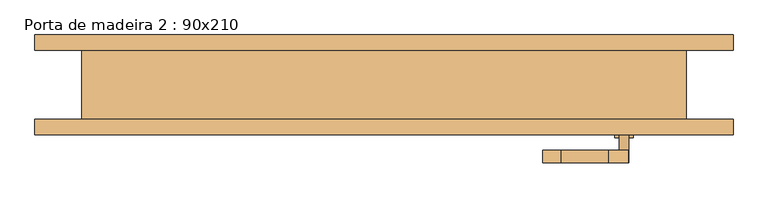
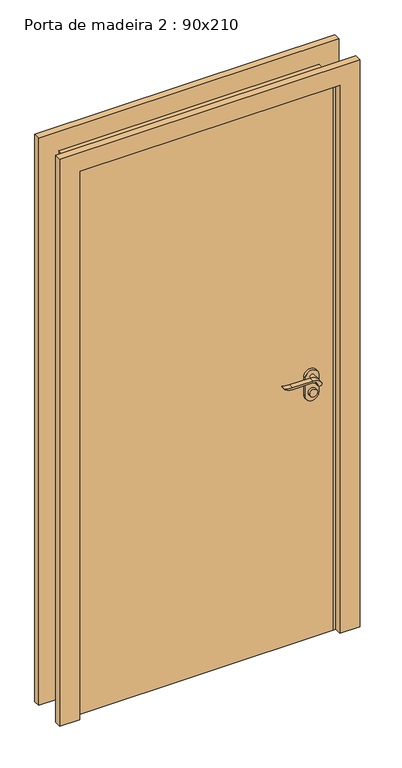
"""IFC4 building model written with IfcOpenShell, lengths in millimetres: door geometry, Porta de madeira 2 : 90x210."""

import ifcopenshell
import ifcopenshell.guid

model = None  # the IFC model being written
_history = None  # IfcOwnerHistory: only IFC2X3 demands one
_inside = {}  # id of a spatial element -> (the spatial element, [elements in it])
_under = {}  # id of a project, library or spatial element -> (it, [spatial elements below it])
_declared = {}  # id of a project -> (the project, [libraries it declares])
_typed = {}  # id of a type object -> (the type object, [elements of that type])
_made_of = {}  # id of a material, layer set ... -> (it, [elements and type objects made of it])


def new_model(schema):
    """Start an empty IFC model of exactly this schema.

    Asked for "IFC4X3", IfcOpenShell would pick the latest addendum, in which some entities
    have other attributes; the version numbers below select the first issue.
    IFC2X3 requires an IfcOwnerHistory on every rooted entity: one is made here for all.
    """
    global model, _history
    if schema == "IFC4X3":
        model = ifcopenshell.file(schema_version=(4, 3, 0, 0))
    else:
        model = ifcopenshell.file(schema=schema)
    _inside.clear()
    _under.clear()
    _declared.clear()
    _typed.clear()
    _made_of.clear()
    _history = None
    if model.schema == "IFC2X3":
        org = make("IfcOrganization", Name="unknown")
        user = make(
            "IfcPersonAndOrganization",
            ThePerson=make("IfcPerson", FamilyName="unknown"),
            TheOrganization=org,
        )
        app = make(
            "IfcApplication",
            ApplicationDeveloper=org,
            Version="unknown",
            ApplicationFullName="unknown",
            ApplicationIdentifier="unknown",
        )
        _history = make(
            "IfcOwnerHistory",
            OwningUser=user,
            OwningApplication=app,
            ChangeAction="ADDED",
            CreationDate=0,
        )
    return model


def make(cls, **values):
    """One entity of the class cls with the attributes given. An attribute that is None is left unset."""
    return model.create_entity(
        cls, **{name: value for name, value in values.items() if value is not None}
    )


def rooted(cls, **values):
    """An entity with a GlobalId (a new one), such as an element, a storey or a relation."""
    return make(cls, GlobalId=ifcopenshell.guid.new(), OwnerHistory=_history, **values)


def si_unit(unit_type, name, prefix=None):
    """IfcSIUnit, for example si_unit("LENGTHUNIT", "METRE", prefix="MILLI")."""
    return make("IfcSIUnit", UnitType=unit_type, Prefix=prefix, Name=name)


def assignment(units):
    """IfcUnitAssignment: the units of a project."""
    return None if units is None else make("IfcUnitAssignment", Units=units)


def point(xyz):
    """IfcCartesianPoint."""
    return None if xyz is None else make("IfcCartesianPoint", Coordinates=xyz)


def direction(xyz):
    """IfcDirection."""
    return None if xyz is None else make("IfcDirection", DirectionRatios=xyz)


def frame(location, z_axis=None, x_axis=None):
    """IfcAxis2Placement3D, a coordinate frame: its origin and axes. An axis left out is left unset."""
    return make(
        "IfcAxis2Placement3D",
        Location=point(location),
        Axis=direction(z_axis),
        RefDirection=direction(x_axis),
    )


def frame_2d(location, x_axis=None):
    """IfcAxis2Placement2D, a coordinate frame in the plane: its origin and x axis."""
    return make(
        "IfcAxis2Placement2D", Location=point(location), RefDirection=direction(x_axis)
    )


def origin():
    """The frame at (0, 0, 0) with its axes left unset."""
    return frame((0.0, 0.0, 0.0))


def origin_with_axes():
    """The frame at (0, 0, 0) with the z axis (0, 0, 1) and the x axis (1, 0, 0) written out."""
    return frame((0.0, 0.0, 0.0), z_axis=(0.0, 0.0, 1.0), x_axis=(1.0, 0.0, 0.0))


def place(relative_to, where):
    """IfcLocalPlacement: puts the frame where relative to a parent placement (None: the world)."""
    return make(
        "IfcLocalPlacement", PlacementRelTo=relative_to, RelativePlacement=where
    )


def context(
    kind, dimensions, precision=None, world=None, true_north=None, identifier=None
):
    """IfcGeometricRepresentationContext, for example the 3D "Model" context."""
    return make(
        "IfcGeometricRepresentationContext",
        ContextIdentifier=identifier,
        ContextType=kind,
        CoordinateSpaceDimension=dimensions,
        Precision=precision,
        WorldCoordinateSystem=world,
        TrueNorth=true_north,
    )


def project(units=None, contexts=None):
    """IfcProject with its units and contexts."""
    return rooted(
        "IfcProject",
        Name="project",
        RepresentationContexts=contexts,
        UnitsInContext=assignment(units),
    )


def spatial(cls, under=None, at=None, **own):
    """A site, building, storey or space (cls), placed at a placement, below another one or the project."""
    s = rooted(cls, ObjectPlacement=at, **own)
    if under is not None:
        _under.setdefault(under.id(), (under, []))[1].append(s)
    return s


def polyline(points):
    """IfcPolyline through the points."""
    return make("IfcPolyline", Points=[point(p) for p in points])


def circle_curve(where, radius):
    """IfcCircle in the frame where."""
    return make("IfcCircle", Position=where, Radius=radius)


def trimmed(basis, trim1, trim2, sense, master):
    """IfcTrimmedCurve: the piece of a basis curve between two trims."""
    return make(
        "IfcTrimmedCurve",
        BasisCurve=basis,
        Trim1=trim1,
        Trim2=trim2,
        SenseAgreement=sense,
        MasterRepresentation=master,
    )


def segment(curve, same_sense, transition):
    """IfcCompositeCurveSegment."""
    return make(
        "IfcCompositeCurveSegment",
        Transition=transition,
        SameSense=same_sense,
        ParentCurve=curve,
    )


def composite_curve(segments, self_intersect=None):
    """IfcCompositeCurve: segments joined end to end."""
    return make("IfcCompositeCurve", Segments=segments, SelfIntersect=self_intersect)


def outline(outer, holes=None, kind="AREA"):
    """IfcArbitraryClosedProfileDef: a profile drawn as a closed curve; with holes, ...WithVoids."""
    if holes is None:
        return make("IfcArbitraryClosedProfileDef", ProfileType=kind, OuterCurve=outer)
    return make(
        "IfcArbitraryProfileDefWithVoids",
        ProfileType=kind,
        OuterCurve=outer,
        InnerCurves=holes,
    )


def extrude(swept, where, along, depth):
    """IfcExtrudedAreaSolid: the profile swept, set in the frame where, extruded along a direction by depth."""
    return make(
        "IfcExtrudedAreaSolid",
        SweptArea=swept,
        Position=where,
        ExtrudedDirection=direction(along),
        Depth=depth,
    )


def faces_of(points, faces, orient=None, outer=None):
    """IfcFace entities. A face is a list of loops; a loop is a list of indices into points, from 0.

    orient and outer hold one flag for each loop. By default every Orientation is true, the
    first loop of a face is its IfcFaceOuterBound and the others are IfcFaceBound.
    """
    made = []
    for i, loops in enumerate(faces):
        bounds = []
        for j, loop in enumerate(loops):
            is_outer = j == 0 if outer is None else outer[i][j]
            bounds.append(
                make(
                    "IfcFaceOuterBound" if is_outer else "IfcFaceBound",
                    Bound=make("IfcPolyLoop", Polygon=[points[k] for k in loop]),
                    Orientation=True if orient is None else orient[i][j],
                )
            )
        made.append(make("IfcFace", Bounds=bounds))
    return made


def faceted_brep(points, faces, orient=None, outer=None, voids=None):
    """IfcFacetedBrep: a solid bounded by flat faces; with voids (closed shells), ...WithVoids."""
    shared = [point(p) for p in points]
    hull = make("IfcClosedShell", CfsFaces=faces_of(shared, faces, orient, outer))
    if voids is None:
        return make("IfcFacetedBrep", Outer=hull)
    return make(
        "IfcFacetedBrepWithVoids",
        Outer=hull,
        Voids=[
            make(cls, CfsFaces=faces_of(shared, fs, o, b)) for cls, fs, o, b in voids
        ],
    )


def shape(context_of_items, identifier, shape_type, items):
    """IfcShapeRepresentation: the items that make up one representation, for example the "Body"."""
    return make(
        "IfcShapeRepresentation",
        ContextOfItems=context_of_items,
        RepresentationIdentifier=identifier,
        RepresentationType=shape_type,
        Items=items,
    )


def source(mapping_origin, context_of_items, identifier, shape_type, items):
    """IfcRepresentationMap: a shape defined once, which mapped items show again and again."""
    return make(
        "IfcRepresentationMap",
        MappingOrigin=mapping_origin,
        MappedRepresentation=shape(context_of_items, identifier, shape_type, items),
    )


def transform(
    local_origin,
    x_axis=None,
    y_axis=None,
    z_axis=None,
    scale=None,
    scale2=None,
    scale3=None,
    uniform=True,
):
    """IfcCartesianTransformationOperator3D, or its non-uniform kind. x_axis, y_axis, z_axis: its Axis1, 2, 3."""
    if uniform:
        return make(
            "IfcCartesianTransformationOperator3D",
            Axis1=direction(x_axis),
            Axis2=direction(y_axis),
            LocalOrigin=point(local_origin),
            Scale=scale,
            Axis3=direction(z_axis),
        )
    return make(
        "IfcCartesianTransformationOperator3DnonUniform",
        Axis1=direction(x_axis),
        Axis2=direction(y_axis),
        LocalOrigin=point(local_origin),
        Scale=scale,
        Axis3=direction(z_axis),
        Scale2=scale2,
        Scale3=scale3,
    )


def mapped(mapping_source, mapping_target):
    """IfcMappedItem: shows the shape of a source again, moved by a transform."""
    return make(
        "IfcMappedItem", MappingSource=mapping_source, MappingTarget=mapping_target
    )


def made_of(thing, what):
    """Note that an element or type object is made of a material, layer set ...; save() writes the relation."""
    if what is not None:
        _made_of.setdefault(what.id(), (what, []))[1].append(thing)
    return thing


def element(
    cls,
    number,
    at=None,
    inside=None,
    cuts=None,
    type_object=None,
    material=None,
    context=None,
    identifier="Body",
    shape_type=None,
    held_by="IfcProductDefinitionShape",
    body=None,
    shapes=None,
    **own,
):
    """One element of the class cls, such as IfcWall. Its Tag is "e" and its number.

    at: its placement. inside: the storey or other place that contains it. cuts: it is an
    opening in that element (IfcRelVoidsElement). A single representation is given by context,
    identifier, shape_type and body (its items); several are given by shapes. held_by: the class
    of the entity that holds the representations. save() writes the other relations.
    """
    e = rooted(cls, Tag="e%d" % number, ObjectPlacement=at, **own)
    if body is not None:
        shapes = [shape(context, identifier, shape_type, body)]
    if shapes is not None:
        e.Representation = make(held_by, Representations=shapes)
    if inside is not None:
        _inside.setdefault(inside.id(), (inside, []))[1].append(e)
    if cuts is not None:
        rooted(
            "IfcRelVoidsElement", RelatingBuildingElement=cuts, RelatedOpeningElement=e
        )
    if type_object is not None:
        _typed.setdefault(type_object.id(), (type_object, []))[1].append(e)
    return made_of(e, material)


def aggregate(whole, parts):
    """IfcRelAggregates: a whole, such as a stair, and the parts it consists of."""
    return rooted("IfcRelAggregates", RelatingObject=whole, RelatedObjects=parts)


def save(model, path):
    """Write the relations noted so far, then the file.

    IfcRelAggregates (storeys below a building ...), IfcRelContainedInSpatialStructure (elements
    in a storey), IfcRelDefinesByType, IfcRelAssociatesMaterial and IfcRelDeclares: one each for
    every whole, place, type object, material and project.
    """
    for whole, parts in _under.values():
        aggregate(whole, parts)
    for where, things in _inside.values():
        rooted(
            "IfcRelContainedInSpatialStructure",
            RelatedElements=things,
            RelatingStructure=where,
        )
    for kind, things in _typed.values():
        rooted("IfcRelDefinesByType", RelatedObjects=things, RelatingType=kind)
    for what, things in _made_of.values():
        rooted("IfcRelAssociatesMaterial", RelatedObjects=things, RelatingMaterial=what)
    for by, libraries in _declared.values():
        rooted("IfcRelDeclares", RelatingContext=by, RelatedDefinitions=libraries)
    model.write(path)


def porta_de_madeira_2_90x210_0973f970(model_context):
    return source(origin(), model_context, "Body", "SolidModel", [
        extrude(outline(composite_curve([segment(trimmed(circle_curve(frame_2d((985.0, 385.0)), 15.0), [point((985.0, 370.0))], [point((985.0, 400.0))], False, "CARTESIAN"), True, "CONTINUOUS"), segment(trimmed(circle_curve(frame_2d((985.0, 385.0)), 15.0), [point((985.0, 400.0))], [point((985.0, 370.0))], False, "CARTESIAN"), True, "CONTINUOUS")], self_intersect=False)), frame((0.0, -25.0, 0.0), z_axis=(0.0, 1.0, 0.0), x_axis=(0.0, 0.0, 1.0)), (0.0, 0.0, 1.0), 10.0),
        extrude(outline(composite_curve([segment(trimmed(circle_curve(frame_2d((985.0, 385.0)), 15.0), [point((985.0, 370.0))], [point((985.0, 400.0))], False, "CARTESIAN"), True, "CONTINUOUS"), segment(trimmed(circle_curve(frame_2d((985.0, 385.0)), 15.0), [point((985.0, 400.0))], [point((985.0, 370.0))], False, "CARTESIAN"), True, "CONTINUOUS")], self_intersect=False)), frame((0.0, -85.0, 0.0), z_axis=(0.0, 1.0, 0.0), x_axis=(0.0, 0.0, 1.0)), (0.0, 0.0, 1.0), 10.0),
        extrude(outline(composite_curve([segment(trimmed(circle_curve(frame_2d((1027.7555521, 361.3324871)), 37.2832219), [point((1049.6523287, 391.5081363))], [point((1065.0, 359.6325667))], False, "CARTESIAN"), True, "CONTINUOUS"), segment(polyline([(1065.0, 359.6325667), (1065.0, 283.3564091)]), True, "CONTINUOUS"), segment(trimmed(circle_curve(frame_2d((1148.2850638, 283.4227909)), 83.2850902), [point((1065.0, 283.3564091))], [point((1070.0, 255.0))], True, "CARTESIAN"), True, "CONTINUOUS"), segment(polyline([(1070.0, 255.0), (1067.2135558, 255.0)]), True, "CONTINUOUS"), segment(trimmed(circle_curve(frame_2d((1117.2709207, 286.9396612)), 59.3791355), [point((1067.2135558, 255.0))], [point((1058.0, 283.3564091))], False, "CARTESIAN"), True, "CONTINUOUS"), segment(polyline([(1058.0, 283.3564091), (1058.0, 359.6138099)]), True, "CONTINUOUS"), segment(trimmed(circle_curve(frame_2d((1039.8738613, 359.6138099)), 18.1261387), [point((1058.0, 359.6138099))], [point((1045.0, 377.0))], True, "CARTESIAN"), True, "CONTINUOUS"), segment(trimmed(circle_curve(frame_2d((1045.0, 385.0)), 8.0), [point((1045.0, 377.0))], [point((1049.6523287, 391.5081363))], False, "CARTESIAN"), True, "CONTINUOUS")], self_intersect=False)), frame((0.0, 5.0, 0.0), z_axis=(0.0, 1.0, 0.0), x_axis=(0.0, 0.0, 1.0)), (0.0, 0.0, 1.0), 20.0),
        extrude(outline(composite_curve([segment(trimmed(circle_curve(frame_2d((1045.0, 385.0)), 8.0), [point((1044.9999903, 377.0))], [point((1049.6523287, 391.5081363))], False, "CARTESIAN"), True, "CONTINUOUS"), segment(trimmed(circle_curve(frame_2d((1027.7555521, 361.3324871)), 37.2832219), [point((1049.6523287, 391.5081363))], [point((1065.0, 359.6325667))], False, "CARTESIAN"), True, "CONTINUOUS"), segment(polyline([(1065.0, 359.6325667), (1065.0, 283.3564091)]), True, "CONTINUOUS"), segment(trimmed(circle_curve(frame_2d((1148.2850638, 283.4227909)), 83.2850902), [point((1065.0, 283.3564091))], [point((1070.0, 255.0))], True, "CARTESIAN"), True, "CONTINUOUS"), segment(polyline([(1070.0, 255.0), (1067.2135558, 255.0)]), True, "CONTINUOUS"), segment(trimmed(circle_curve(frame_2d((1117.2709207, 286.9396612)), 59.3791355), [point((1067.2135558, 255.0))], [point((1058.0, 283.3564091))], False, "CARTESIAN"), True, "CONTINUOUS"), segment(polyline([(1058.0, 283.3564091), (1058.0, 359.6138122)]), True, "CONTINUOUS"), segment(trimmed(circle_curve(frame_2d((1039.8738682, 359.6138122)), 18.1261318), [point((1058.0, 359.6138122))], [point((1044.9999903, 377.0))], True, "CARTESIAN"), True, "CONTINUOUS")], self_intersect=False)), frame((0.0, -125.0, 0.0), z_axis=(0.0, 1.0, 0.0), x_axis=(0.0, 0.0, 1.0)), (0.0, 0.0, 1.0), 20.0),
        extrude(outline(composite_curve([segment(trimmed(circle_curve(frame_2d((1045.0, 385.0)), 8.0), [point((1045.0, 377.0))], [point((1045.0, 393.0))], False, "CARTESIAN"), True, "CONTINUOUS"), segment(trimmed(circle_curve(frame_2d((1045.0, 385.0)), 8.0), [point((1045.0, 393.0))], [point((1045.0, 377.0))], False, "CARTESIAN"), True, "CONTINUOUS")], self_intersect=False)), frame((0.0, -25.0, 0.0), z_axis=(0.0, 1.0, 0.0), x_axis=(0.0, 0.0, 1.0)), (0.0, 0.0, 1.0), 30.0),
        extrude(outline(composite_curve([segment(trimmed(circle_curve(frame_2d((1045.0, 385.0)), 8.0), [point((1045.0, 377.0))], [point((1045.0, 393.0))], False, "CARTESIAN"), True, "CONTINUOUS"), segment(trimmed(circle_curve(frame_2d((1045.0, 385.0)), 8.0), [point((1045.0, 393.0))], [point((1045.0, 377.0))], False, "CARTESIAN"), True, "CONTINUOUS")], self_intersect=False)), frame((0.0, -105.0, 0.0), z_axis=(0.0, 1.0, 0.0), x_axis=(0.0, 0.0, 1.0)), (0.0, 0.0, 1.0), 30.0),
        extrude(outline(composite_curve([segment(polyline([(975.0, 410.0), (1045.0, 410.0)]), True, "CONTINUOUS"), segment(trimmed(circle_curve(frame_2d((1045.0, 385.0)), 25.0), [point((1045.0, 410.0))], [point((1045.0, 360.0))], False, "CARTESIAN"), True, "CONTINUOUS"), segment(polyline([(1045.0, 360.0), (975.0, 360.0)]), True, "CONTINUOUS"), segment(trimmed(circle_curve(frame_2d((975.0, 385.0)), 25.0), [point((975.0, 360.0))], [point((975.0, 410.0))], False, "CARTESIAN"), True, "CONTINUOUS")], self_intersect=False)), frame((0.0, -35.0, 0.0), z_axis=(0.0, 1.0, 0.0), x_axis=(0.0, 0.0, 1.0)), (0.0, 0.0, 1.0), 10.0),
        extrude(outline(composite_curve([segment(polyline([(975.0, 410.0), (1045.0, 410.0)]), True, "CONTINUOUS"), segment(trimmed(circle_curve(frame_2d((1045.0, 385.0)), 25.0), [point((1045.0, 410.0))], [point((1045.0, 360.0))], False, "CARTESIAN"), True, "CONTINUOUS"), segment(polyline([(1045.0, 360.0), (975.0, 360.0)]), True, "CONTINUOUS"), segment(trimmed(circle_curve(frame_2d((975.0, 385.0)), 25.0), [point((975.0, 360.0))], [point((975.0, 410.0))], False, "CARTESIAN"), True, "CONTINUOUS")], self_intersect=False)), frame((0.0, -75.0, 0.0), z_axis=(0.0, 1.0, 0.0), x_axis=(0.0, 0.0, 1.0)), (0.0, 0.0, 1.0), 10.0),
        extrude(outline(polyline([(2160.0, -485.0), (2160.0, 485.0), (0.0, 485.0), (0.0, 560.0), (2235.0, 560.0), (2235.0, -560.0), (0.0, -560.0), (0.0, -485.0), (2160.0, -485.0)])), frame((0.0, 55.0, 0.0), z_axis=(0.0, 1.0, 0.0), x_axis=(0.0, 0.0, 1.0)), (0.0, 0.0, 1.0), 25.0),
        extrude(outline(polyline([(2235.0, -560.0), (0.0, -560.0), (0.0, -485.0), (2160.0, -485.0), (2160.0, 485.0), (0.0, 485.0), (0.0, 560.0), (2235.0, 560.0), (2235.0, -560.0)])), frame((0.0, -80.0, 0.0), z_axis=(0.0, 1.0, 0.0), x_axis=(0.0, 0.0, 1.0)), (0.0, 0.0, 1.0), 25.0),
        extrude(outline(polyline([(475.0, -55.0), (-475.0, -55.0), (-475.0, -25.0), (475.0, -25.0), (475.0, -55.0)])), origin_with_axes(), (0.0, 0.0, 1.0), 2150.0),
        faceted_brep([(-465.0, -25.0, 0.0), (-475.0, -25.0, 0.0), (-475.0, -55.0, 0.0), (-485.0, -55.0, 0.0), (-485.0, 55.0, 0.0), (-465.0, 55.0, 0.0), (-465.0, -25.0, 2140.0), (465.0, -25.0, 2140.0), (465.0, -25.0, 0.0), (475.0, -25.0, 0.0), (475.0, -25.0, 2150.0), (-475.0, -25.0, 2150.0), (-485.0, 55.0, 2160.0), (485.0, 55.0, 2160.0), (485.0, 55.0, 0.0), (465.0, 55.0, 0.0), (465.0, 55.0, 2140.0), (-465.0, 55.0, 2140.0), (485.0, -55.0, 0.0), (475.0, -55.0, 0.0), (-475.0, -55.0, 2150.0), (475.0, -55.0, 2150.0), (485.0, -55.0, 2160.0), (-485.0, -55.0, 2160.0)], [[[0, 1, 2, 3, 4, 5]], [[1, 0, 6, 7, 8, 9, 10, 11]], [[5, 4, 12, 13, 14, 15, 16, 17]], [[0, 5, 17, 6]], [[7, 6, 17, 16]], [[9, 8, 15, 14, 18, 19]], [[8, 7, 16, 15]], [[20, 2, 1, 11]], [[3, 2, 20, 21, 19, 18, 22, 23]], [[4, 3, 23, 12]], [[21, 20, 11, 10]], [[23, 22, 13, 12]], [[19, 21, 10, 9]], [[22, 18, 14, 13]]]),
    ])


if __name__ == "__main__":
    model = new_model("IFC4")
    model_context = context("Model", 3, world=origin())
    ifc_project = project(units=[si_unit("LENGTHUNIT", "METRE", prefix="MILLI")], contexts=[model_context])
    site = spatial("IfcSite", under=ifc_project)
    building = spatial("IfcBuilding", under=site)
    placement = place(None, origin())
    porta_de_madeira_2_90x210_shape = porta_de_madeira_2_90x210_0973f970(model_context)
    element("IfcDoor", 1, ObjectType="Porta de madeira 2 : 90x210", at=placement, inside=building, context=model_context, shape_type="MappedRepresentation", body=[
        mapped(porta_de_madeira_2_90x210_shape, transform((0.0, 0.0, 0.0), x_axis=(1.0, 0.0, 0.0), y_axis=(0.0, 1.0, 0.0), z_axis=(0.0, 0.0, 1.0))),
    ])
    save(model, "model.ifc")
